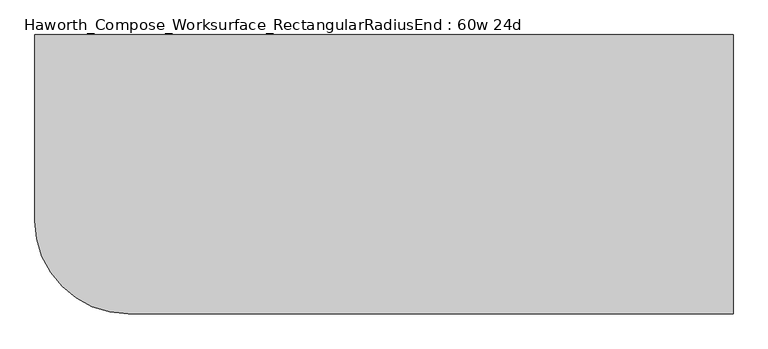
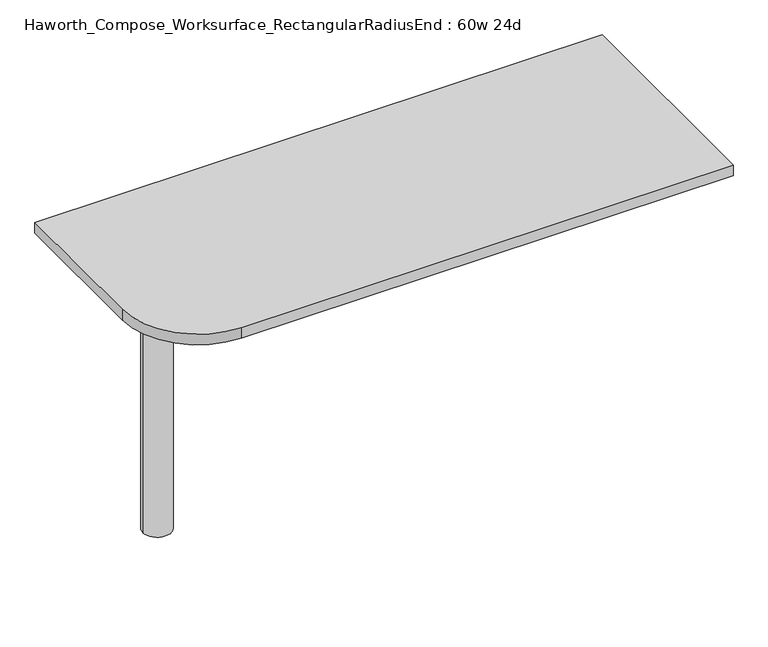
"""IFC4 building model written with IfcOpenShell, lengths in millimetres: furniture geometry, Haworth_Compose_Worksurface_RectangularRadiusEnd : 60w 24d."""

from ifc_helpers import new_model, si_unit, point, frame, frame_2d, origin, place, context, project, spatial, polyline, circle_curve, trimmed, segment, composite_curve, outline, extrude, source, transform, mapped, element, save
from ifc_brep_helpers import plane_surface, cylinder_surface, revolved_surface, advanced_brep


def haworth_compose_worksurface_rectangularradiusend_60w_24d_4605c722(model_context):
    return source(origin(), model_context, "Body", "SolidModel", [
        advanced_brep(
        [(756.44375, 304.8, 475.45625), (756.44375, 288.925, 475.45625), (756.44375, -101.6, 691.7192568), (756.44375, -101.6, 704.05625), (756.44375, 288.925, 704.05625), (756.44375, 304.8, 704.05625), (756.44375, 221.490072, 665.95625), (756.44375, 177.8355284, 665.95625), (756.44375, 175.1564235, 656.3705539), (756.44375, 266.8776173, 605.5776439), (756.44375, 276.225, 611.1756969), (756.44375, 276.225, 634.6860246), (756.44375, 274.4730055, 637.5242776), (756.44375, 224.5663437, 665.1613425), (758.825, 304.8, 475.45625), (758.825, 304.8, 704.05625), (758.825, 288.925, 704.05625), (758.825, 288.925, 706.4375), (758.825, -101.6, 706.4375), (758.825, -101.6, 691.7192568), (758.825, 288.925, 475.45625), (758.825, 221.490072, 665.95625), (758.825, 224.5663437, 665.1613425), (758.825, 274.4730055, 637.5242776), (758.825, 276.225, 634.6860246), (758.825, 276.225, 611.1756969), (758.825, 266.8776173, 605.5776439), (758.825, 175.1564235, 656.3705539), (758.825, 177.8355284, 665.95625), (717.55, -101.6, 706.4375), (717.55, -101.6, 704.05625), (717.55, 288.925, 704.05625), (717.55, 288.925, 706.4375)],
        [
            (0, 1),
            (1, 2),
            (2, 3),
            (3, 4),
            (4, 5),
            (5, 0),
            (6, 7),
            (7, 8, circle_curve(frame((756.44375, 177.8355284, 660.7890106), z_axis=(1.0, 0.0, 0.0), x_axis=(0.0, -1.0, 0.0)), 5.1672394)),
            (8, 9),
            (9, 10, circle_curve(frame((756.44375, 269.875, 611.1756969), z_axis=(1.0, 0.0, 0.0), x_axis=(0.0, -1.0, 0.0)), 6.35)),
            (10, 11),
            (11, 12, circle_curve(frame((756.44375, 273.05, 634.6860246), z_axis=(1.0, 0.0, 0.0), x_axis=(0.0, -1.0, 0.0)), 3.175)),
            (12, 13),
            (13, 6, circle_curve(frame((756.44375, 221.490072, 659.60625), z_axis=(1.0, 0.0, 0.0), x_axis=(0.0, -1.0, 0.0)), 6.35)),
            (14, 15),
            (15, 16),
            (16, 17),
            (17, 18),
            (18, 19),
            (19, 20),
            (20, 14),
            (21, 22, circle_curve(frame((758.825, 221.490072, 659.60625), z_axis=(-1.0, 0.0, 0.0), x_axis=(0.0, -1.0, 0.0)), 6.35)),
            (22, 23),
            (23, 24, circle_curve(frame((758.825, 273.05, 634.6860246), z_axis=(-1.0, 0.0, 0.0), x_axis=(0.0, -1.0, 0.0)), 3.175)),
            (24, 25),
            (25, 26, circle_curve(frame((758.825, 269.875, 611.1756969), z_axis=(-1.0, 0.0, 0.0), x_axis=(0.0, -1.0, 0.0)), 6.35)),
            (26, 27),
            (27, 28, circle_curve(frame((758.825, 177.8355284, 660.7890106), z_axis=(-1.0, 0.0, 0.0), x_axis=(0.0, -1.0, 0.0)), 5.1672394)),
            (28, 21),
            (4, 16),
            (15, 5),
            (14, 0),
            (20, 1),
            (19, 2),
            (18, 29),
            (29, 30),
            (30, 3),
            (6, 21),
            (28, 7),
            (9, 26),
            (25, 10),
            (24, 11),
            (23, 12),
            (27, 8),
            (31, 4),
            (30, 31),
            (32, 29),
            (17, 32),
            (31, 32),
            (22, 13),
        ],
        [
            plane_surface(frame((756.44375, 304.8, 475.45625), z_axis=(-1.0, 0.0, 0.0), x_axis=(0.0, 1.0, 0.0))),
            plane_surface(frame((758.825, 304.8, 475.45625), z_axis=(1.0, 0.0, 0.0), x_axis=(0.0, -1.0, 0.0))),
            plane_surface(frame((758.825, -101.6, 704.05625), z_axis=(0.0, 0.0, 1.0), x_axis=(-1.0, 0.0, 0.0))),
            plane_surface(frame((758.825, 304.8, 704.05625), z_axis=(0.0, 1.0, 0.0), x_axis=(-1.0, 0.0, 0.0))),
            plane_surface(frame((758.825, 304.8, 475.45625), z_axis=(0.0, 0.0, -1.0), x_axis=(-1.0, 0.0, 0.0))),
            plane_surface(frame((758.825, 288.925, 475.45625), z_axis=(0.0, -0.48445223513455843, -0.8748177135112952), x_axis=(-1.0, 0.0, 0.0))),
            plane_surface(frame((758.825, -101.6, 691.7192568), z_axis=(0.0, -1.0, 0.0), x_axis=(-1.0, 0.0, 0.0))),
            plane_surface(frame((758.825, 221.490072, 665.95625), z_axis=(0.0, 0.0, -1.0), x_axis=(-1.0, 0.0, 0.0))),
            revolved_surface(polyline([(756.44375, 263.525, 611.1756969), (758.825, 263.525, 611.1756969)]), (758.825, 269.875, 611.1756969), (-1.0, 0.0, 0.0)),
            plane_surface(frame((758.825, 276.225, 611.1756969), z_axis=(0.0, -1.0, 0.0), x_axis=(-1.0, 0.0, 0.0))),
            revolved_surface(polyline([(756.44375, 269.875, 634.6860246), (758.825, 269.875, 634.6860246)]), (758.825, 273.05, 634.6860246), (-1.0, 0.0, 0.0)),
            revolved_surface(polyline([(756.44375, 172.668289, 660.7890106), (758.825, 172.668289, 660.7890106)]), (758.825, 177.8355284, 660.7890106), (-1.0, 0.0, 0.0)),
            plane_surface(frame((758.825, 288.925, 704.05625), z_axis=(0.0, 0.0, -1.0), x_axis=(-1.0, 0.0, 0.0))),
            plane_surface(frame((758.825, 288.925, 706.4375), z_axis=(0.0, 0.0, 1.0), x_axis=(1.0, 0.0, 0.0))),
            plane_surface(frame((717.55, 288.925, 706.4375), z_axis=(0.0, 1.0, 0.0), x_axis=(0.0, 0.0, -1.0))),
            plane_surface(frame((717.55, -101.6, 706.4375), z_axis=(-1.0, 0.0, 0.0), x_axis=(0.0, 0.0, -1.0))),
            plane_surface(frame((758.825, 175.1564235, 656.3705539), z_axis=(0.0, 0.4844522351345583, 0.8748177135112953), x_axis=(-1.0, 0.0, 0.0))),
            plane_surface(frame((758.825, 274.4730055, 637.5242776), z_axis=(0.0, -0.4844522351345582, -0.8748177135112953), x_axis=(-1.0, 0.0, 0.0))),
            revolved_surface(polyline([(756.44375, 215.140072, 659.60625), (758.825, 215.140072, 659.60625)]), (758.825, 221.490072, 659.60625), (-1.0, 0.0, 0.0)),
        ],
        [
            (0, [[1, 2, 3, 4, 5, 6], [7, 8, 9, 10, 11, 12, 13, 14]]),
            (1, [[15, 16, 17, 18, 19, 20, 21], [22, 23, 24, 25, 26, 27, 28, 29]]),
            (2, [[-5, 30, -16, 31]]),
            (3, [[-31, -15, 32, -6]]),
            (4, [[-32, -21, 33, -1]]),
            (5, [[-33, -20, 34, -2]]),
            (6, [[-34, -19, 35, 36, 37, -3]]),
            (7, [[38, -29, 39, -7]]),
            (8, [[40, -26, 41, -10]]),
            (9, [[-41, -25, 42, -11]]),
            (10, [[-42, -24, 43, -12]]),
            (11, [[-39, -28, 44, -8]]),
            (12, [[45, -4, -37, 46]]),
            (13, [[47, -35, -18, 48]]),
            (14, [[-17, -30, -45, 49, -48]]),
            (15, [[-36, -47, -49, -46]]),
            (16, [[-44, -27, -40, -9]]),
            (17, [[-43, -23, 50, -13]]),
            (18, [[-50, -22, -38, -14]]),
        ],
    ),
        advanced_brep(
        [(-571.5, 0.0, 706.4375), (-647.7, 0.0, 706.4375), (-609.6, 0.0, 706.4375), (-571.5, 0.0, 0.0), (-647.7, 0.0, 0.0), (-609.6, 0.0, 0.0)],
        [
            (0, 1, circle_curve(frame((-609.6, 0.0, 706.4375), z_axis=(0.0, 0.0, 1.0), x_axis=(-1.0, 0.0, 0.0)), 38.1)),
            (1, 2),
            (2, 0),
            (1, 0, circle_curve(frame((-609.6, 0.0, 706.4375), z_axis=(0.0, 0.0, 1.0), x_axis=(-1.0, 0.0, 0.0)), 38.1)),
            (3, 4, circle_curve(frame((-609.6, 0.0, 0.0), z_axis=(0.0, 0.0, 1.0), x_axis=(-1.0, 0.0, 0.0)), 38.1)),
            (4, 1),
            (0, 3),
            (4, 3, circle_curve(frame((-609.6, 0.0, 0.0), z_axis=(0.0, 0.0, 1.0), x_axis=(-1.0, 0.0, 0.0)), 38.1)),
            (5, 4),
            (3, 5),
        ],
        [
            plane_surface(frame((-609.6, 0.0, 706.4375), z_axis=(0.0, 0.0, 1.0), x_axis=(-1.0, 0.0, 0.0))),
            cylinder_surface(frame((-609.6, 0.0, 889.623257), z_axis=(0.0, 0.0, -1.0), x_axis=(-1.0, 0.0, 0.0)), 38.1),
            plane_surface(frame((-609.6, 0.0, 0.0), z_axis=(0.0, 0.0, -1.0), x_axis=(-1.0, 0.0, 0.0))),
        ],
        [
            (0, [[1, 2, 3]]),
            (0, [[4, -3, -2]]),
            (1, [[5, 6, -1, 7]]),
            (1, [[8, -7, -4, -6]]),
            (2, [[9, -5, 10]]),
            (2, [[-10, -8, -9]]),
        ],
    ),
        extrude(outline(composite_curve([segment(polyline([(762.0, 304.8), (762.0, -304.8), (-558.8, -304.8)]), True, "CONTINUOUS"), segment(trimmed(circle_curve(frame_2d((-558.8, -101.6)), 203.2), [point((-558.8, -304.8))], [point((-762.0, -101.6))], False, "CARTESIAN"), True, "CONTINUOUS"), segment(polyline([(-762.0, -101.6), (-762.0, 304.8), (762.0, 304.8)]), True, "CONTINUOUS")], self_intersect=False)), frame((0.0, 0.0, 706.4375), z_axis=(0.0, 0.0, 1.0), x_axis=(1.0, 0.0, 0.0)), (0.0, 0.0, 1.0), 30.1625),
    ])


if __name__ == "__main__":
    model = new_model("IFC4")
    model_context = context("Model", 3, world=origin())
    ifc_project = project(units=[si_unit("LENGTHUNIT", "METRE", prefix="MILLI")], contexts=[model_context])
    site = spatial("IfcSite", under=ifc_project)
    building = spatial("IfcBuilding", under=site)
    placement = place(None, origin())
    haworth_compose_worksurface_rectangularradiusend_60w_24d_shape = haworth_compose_worksurface_rectangularradiusend_60w_24d_4605c722(model_context)
    element("IfcFurniture", 1, ObjectType="Haworth_Compose_Worksurface_RectangularRadiusEnd : 60w 24d", at=placement, inside=building, context=model_context, shape_type="MappedRepresentation", body=[
        mapped(haworth_compose_worksurface_rectangularradiusend_60w_24d_shape, transform((0.0, 0.0, 0.0), x_axis=(1.0, 0.0, 0.0), y_axis=(0.0, 1.0, 0.0), z_axis=(0.0, 0.0, 1.0))),
    ])
    save(model, "model.ifc")
